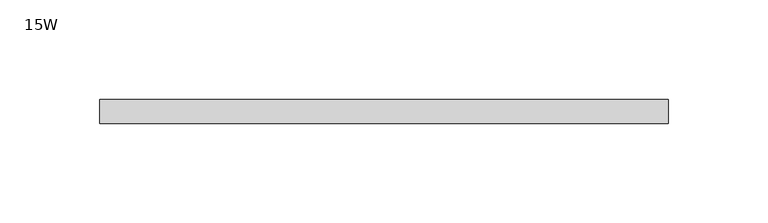
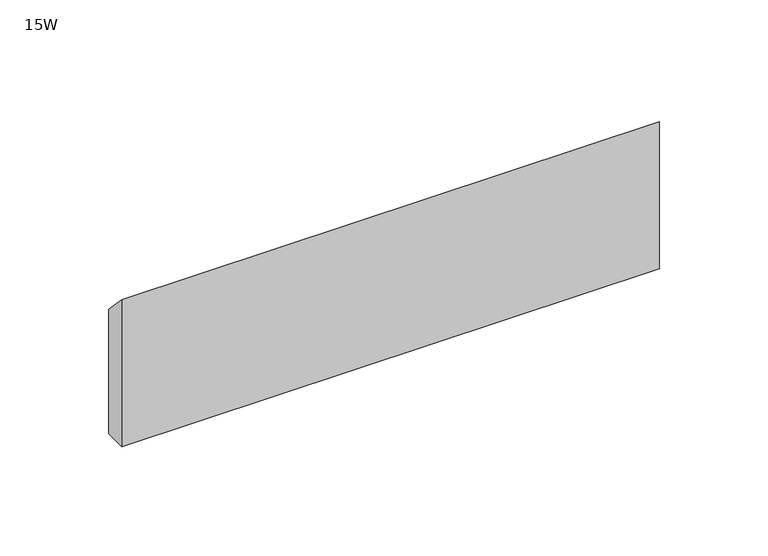
"""IFC4 building model written with IfcOpenShell, lengths in millimetres: furniture geometry, 15W."""

from ifc_helpers import new_model, si_unit, frame, origin, place, context, project, spatial, polyline, outline, extrude, source, transform, mapped, element, save


def furniture_15w_cdf5ff9e(model_context):
    return source(origin(), model_context, "Body", "SweptSolid", [
        extrude(outline(polyline([(-11.938, 806.45), (-11.938, 889.0), (0.0, 876.3), (0.0, 806.45), (-11.938, 806.45)])), frame((48.006, 0.0, 0.0), z_axis=(1.0, 0.0, 0.0), x_axis=(0.0, 1.0, 0.0)), (0.0, 0.0, 1.0), 284.988),
    ])


if __name__ == "__main__":
    model = new_model("IFC4")
    model_context = context("Model", 3, world=origin())
    ifc_project = project(units=[si_unit("LENGTHUNIT", "METRE", prefix="MILLI")], contexts=[model_context])
    site = spatial("IfcSite", under=ifc_project)
    building = spatial("IfcBuilding", under=site)
    placement = place(None, origin())
    furniture_15w_shape = furniture_15w_cdf5ff9e(model_context)
    element("IfcFurniture", 1, ObjectType="15W", at=placement, inside=building, context=model_context, shape_type="MappedRepresentation", body=[
        mapped(furniture_15w_shape, transform((0.0, 0.0, 0.0), x_axis=(1.0, 0.0, 0.0), y_axis=(0.0, 1.0, 0.0), z_axis=(0.0, 0.0, 1.0))),
    ])
    save(model, "model.ifc")
